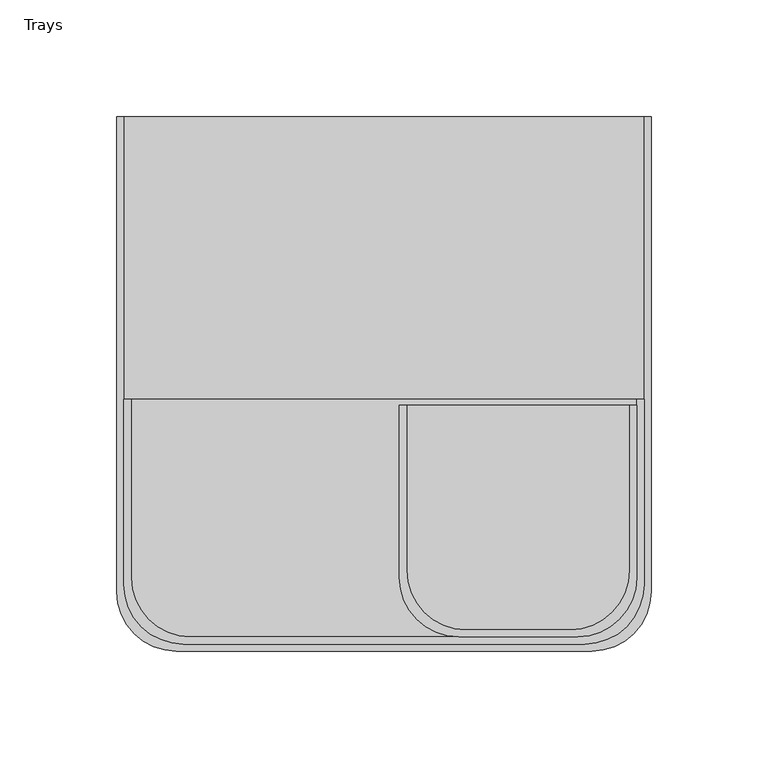
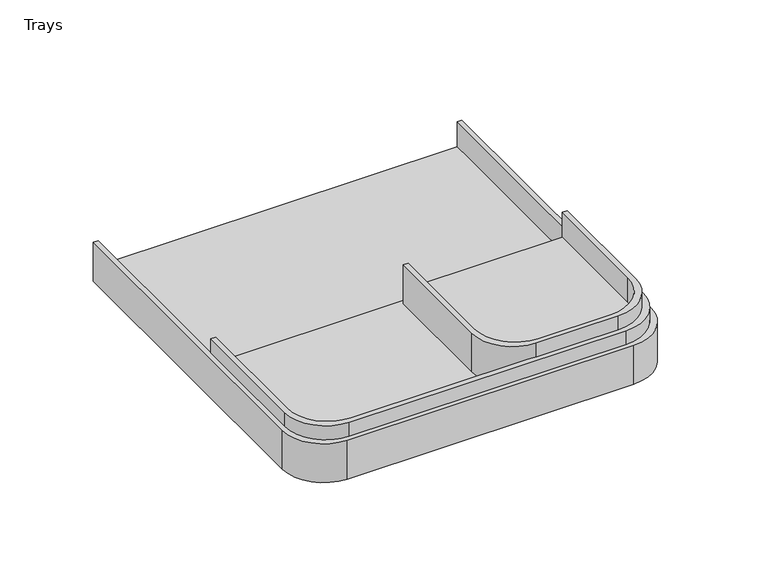
"""IFC4 building model written with IfcOpenShell, lengths in millimetres: furniture geometry, Trays."""

from ifc_helpers import new_model, si_unit, frame, origin, place, context, project, spatial, polyline, circle_curve, source, transform, mapped, element, save
from ifc_brep_helpers import plane_surface, cylinder_surface, revolved_surface, advanced_brep


def trays_c1c10840(model_context):
    return source(origin(), model_context, "Body", "AdvancedBrep", [
        advanced_brep(
        [(108.204, -82.804, 1186.1098322), (108.204, -9.144, 1186.1098322), (105.156, -9.144, 1186.1098322), (105.156, -79.756, 1186.1098322), (79.756, -105.156, 1186.1098322), (35.052, -105.156, 1186.1098322), (9.652, -79.756, 1186.1098322), (9.652, -9.144, 1186.1098322), (6.604, -9.144, 1186.1098322), (6.604, -82.804, 1186.1098322), (32.004, -108.204, 1186.1098322), (82.804, -108.204, 1186.1098322), (108.204, -82.804, 1160.7966397), (82.804, -108.204, 1160.7966397), (32.004, -108.204, 1160.7966397), (6.604, -82.804, 1160.7966397), (6.604, -9.144, 1160.7966397), (108.204, -9.144, 1160.7966397), (9.652, -9.144, 1169.6888117), (105.156, -9.144, 1169.6888117), (105.156, -79.756, 1169.6888117), (9.652, -79.756, 1169.6888117), (35.052, -105.156, 1169.6888117), (79.756, -105.156, 1169.6888117)],
        [
            (0, 1),
            (1, 2),
            (2, 3),
            (3, 4, circle_curve(frame((79.756, -79.756, 1186.1098322), z_axis=(0.0, 0.0, -1.0), x_axis=(1.0, 0.0, 0.0)), 25.4)),
            (4, 5),
            (5, 6, circle_curve(frame((35.052, -79.756, 1186.1098322), z_axis=(0.0, 0.0, -1.0), x_axis=(1.0, 0.0, 0.0)), 25.4)),
            (6, 7),
            (7, 8),
            (8, 9),
            (9, 10, circle_curve(frame((32.004, -82.804, 1186.1098322), z_axis=(0.0, 0.0, 1.0), x_axis=(1.0, 0.0, 0.0)), 25.4)),
            (10, 11),
            (11, 0, circle_curve(frame((82.804, -82.804, 1186.1098322), z_axis=(0.0, 0.0, 1.0), x_axis=(1.0, 0.0, 0.0)), 25.4)),
            (12, 13, circle_curve(frame((82.804, -82.804, 1160.7966397), z_axis=(0.0, 0.0, -1.0), x_axis=(1.0, 0.0, 0.0)), 25.4)),
            (13, 14),
            (14, 15, circle_curve(frame((32.004, -82.804, 1160.7966397), z_axis=(0.0, 0.0, -1.0), x_axis=(1.0, 0.0, 0.0)), 25.4)),
            (15, 16),
            (16, 17),
            (17, 12),
            (11, 13),
            (12, 0),
            (10, 14),
            (9, 15),
            (8, 16),
            (7, 18),
            (18, 19),
            (19, 2),
            (1, 17),
            (20, 19),
            (18, 21),
            (21, 22, circle_curve(frame((35.052, -79.756, 1169.6888117), z_axis=(0.0, 0.0, 1.0), x_axis=(1.0, 0.0, 0.0)), 25.4)),
            (22, 23),
            (23, 20, circle_curve(frame((79.756, -79.756, 1169.6888117), z_axis=(0.0, 0.0, 1.0), x_axis=(1.0, 0.0, 0.0)), 25.4)),
            (23, 4),
            (3, 20),
            (22, 5),
            (21, 6),
        ],
        [
            plane_surface(frame((108.204, -82.804, 1186.1098322), z_axis=(0.0, 0.0, 1.0), x_axis=(0.0, -1.0, 0.0))),
            plane_surface(frame((108.204, -82.804, 1160.7966397), z_axis=(0.0, 0.0, -1.0), x_axis=(0.0, 1.0, 0.0))),
            cylinder_surface(frame((82.804, -82.804, 1160.7966397), z_axis=(0.0, 0.0, 1.0), x_axis=(1.0, 0.0, 0.0)), 25.4),
            plane_surface(frame((82.804, -108.204, 1186.1098322), z_axis=(0.0, -1.0, 0.0), x_axis=(0.0, 0.0, -1.0))),
            cylinder_surface(frame((32.004, -82.804, 1160.7966397), z_axis=(0.0, 0.0, 1.0), x_axis=(1.0, 0.0, 0.0)), 25.4),
            plane_surface(frame((6.604, -82.804, 1186.1098322), z_axis=(-1.0, 0.0, 0.0), x_axis=(0.0, 0.0, -1.0))),
            plane_surface(frame((6.604, -9.144, 1186.1098322), z_axis=(0.0, 1.0, 0.0), x_axis=(0.0, 0.0, -1.0))),
            plane_surface(frame((108.204, -9.144, 1186.1098322), z_axis=(1.0, 0.0, 0.0), x_axis=(0.0, 0.0, -1.0))),
            plane_surface(frame((105.156, -79.756, 1169.6888117), z_axis=(0.0, 0.0, 1.0), x_axis=(0.0, 1.0, 0.0))),
            revolved_surface(polyline([(105.156, -79.756, 1186.1098322), (105.156, -79.756, 1169.6888117)]), (79.756, -79.756, 1169.6888117), (0.0, 0.0, 1.0)),
            plane_surface(frame((79.756, -105.156, 1191.7598038), z_axis=(0.0, 1.0, 0.0), x_axis=(0.0, 0.0, -1.0))),
            revolved_surface(polyline([(60.452, -79.756, 1186.1098322), (60.452, -79.756, 1169.6888117)]), (35.052, -79.756, 1169.6888117), (0.0, 0.0, 1.0)),
            plane_surface(frame((9.652, -79.756, 1191.7598038), z_axis=(1.0, 0.0, 0.0), x_axis=(0.0, 0.0, -1.0))),
            plane_surface(frame((105.156, 9.8666202, 1191.7598038), z_axis=(-1.0, 0.0, 0.0), x_axis=(0.0, 0.0, -1.0))),
        ],
        [
            (0, [[1, 2, 3, 4, 5, 6, 7, 8, 9, 10, 11, 12]]),
            (1, [[13, 14, 15, 16, 17, 18]]),
            (2, [[19, -13, 20, -12]]),
            (3, [[21, -14, -19, -11]]),
            (4, [[22, -15, -21, -10]]),
            (5, [[23, -16, -22, -9]]),
            (6, [[-23, -8, 24, 25, 26, -2, 27, -17]]),
            (7, [[-20, -18, -27, -1]]),
            (8, [[28, -25, 29, 30, 31, 32]]),
            (9, [[33, -4, 34, -32]]),
            (10, [[35, -5, -33, -31]]),
            (11, [[36, -6, -35, -30]]),
            (12, [[-24, -7, -36, -29]]),
            (13, [[-34, -3, -26, -28]]),
        ],
    ),
        advanced_brep(
        [(-111.252, -85.852, 1177.29), (-85.852, -111.252, 1177.29), (85.852, -111.252, 1177.29), (111.252, -85.852, 1177.29), (111.252, -6.604, 1177.29), (108.204, -6.604, 1177.29), (108.204, -82.804, 1177.29), (82.804, -108.204, 1177.29), (-82.804, -108.204, 1177.29), (-108.204, -82.804, 1177.29), (-108.204, -6.604, 1177.29), (-111.252, -6.604, 1177.29), (-111.252, -85.852, 1151.8886512), (-111.252, -6.604, 1151.8886512), (111.252, -6.604, 1151.8886512), (111.252, -85.852, 1151.8886512), (85.852, -111.252, 1151.8886512), (-85.852, -111.252, 1151.8886512), (-108.204, -6.604, 1160.7966397), (108.204, -6.604, 1160.7966397), (108.204, -82.804, 1160.7966397), (-108.204, -82.804, 1160.7966397), (-82.804, -108.204, 1160.7966397), (82.804, -108.204, 1160.7966397)],
        [
            (0, 1, circle_curve(frame((-85.852, -85.852, 1177.29), z_axis=(0.0, 0.0, 1.0), x_axis=(1.0, 0.0, 0.0)), 25.4)),
            (1, 2),
            (2, 3, circle_curve(frame((85.852, -85.852, 1177.29), z_axis=(0.0, 0.0, 1.0), x_axis=(1.0, 0.0, 0.0)), 25.4)),
            (3, 4),
            (4, 5),
            (5, 6),
            (6, 7, circle_curve(frame((82.804, -82.804, 1177.29), z_axis=(0.0, 0.0, -1.0), x_axis=(1.0, 0.0, 0.0)), 25.4)),
            (7, 8),
            (8, 9, circle_curve(frame((-82.804, -82.804, 1177.29), z_axis=(0.0, 0.0, -1.0), x_axis=(1.0, 0.0, 0.0)), 25.4)),
            (9, 10),
            (10, 11),
            (11, 0),
            (12, 13),
            (13, 14),
            (14, 15),
            (15, 16, circle_curve(frame((85.852, -85.852, 1151.8886512), z_axis=(0.0, 0.0, -1.0), x_axis=(1.0, 0.0, 0.0)), 25.4)),
            (16, 17),
            (17, 12, circle_curve(frame((-85.852, -85.852, 1151.8886512), z_axis=(0.0, 0.0, -1.0), x_axis=(1.0, 0.0, 0.0)), 25.4)),
            (11, 13),
            (12, 0),
            (10, 18),
            (18, 19),
            (19, 5),
            (4, 14),
            (3, 15),
            (2, 16),
            (1, 17),
            (20, 19),
            (18, 21),
            (21, 22, circle_curve(frame((-82.804, -82.804, 1160.7966397), z_axis=(0.0, 0.0, 1.0), x_axis=(1.0, 0.0, 0.0)), 25.4)),
            (22, 23),
            (23, 20, circle_curve(frame((82.804, -82.804, 1160.7966397), z_axis=(0.0, 0.0, 1.0), x_axis=(1.0, 0.0, 0.0)), 25.4)),
            (9, 21),
            (20, 6),
            (23, 7),
            (22, 8),
        ],
        [
            plane_surface(frame((-111.252, -95.504, 1177.29), z_axis=(0.0, 0.0, 1.0), x_axis=(0.0, 1.0, 0.0))),
            plane_surface(frame((-111.252, -95.504, 1151.8886512), z_axis=(0.0, 0.0, -1.0), x_axis=(0.0, -1.0, 0.0))),
            plane_surface(frame((-111.252, -85.852, 1177.29), z_axis=(-1.0, 0.0, 0.0), x_axis=(0.0, 0.0, -1.0))),
            plane_surface(frame((-111.252, -6.604, 1177.29), z_axis=(0.0, 1.0, 0.0), x_axis=(0.0, 0.0, -1.0))),
            plane_surface(frame((111.252, -6.604, 1177.29), z_axis=(1.0, 0.0, 0.0), x_axis=(0.0, 0.0, -1.0))),
            cylinder_surface(frame((85.852, -85.852, 1151.8886512), z_axis=(0.0, 0.0, 1.0), x_axis=(1.0, 0.0, 0.0)), 25.4),
            plane_surface(frame((85.852, -111.252, 1177.29), z_axis=(0.0, -1.0, 0.0), x_axis=(0.0, 0.0, -1.0))),
            cylinder_surface(frame((-85.852, -85.852, 1151.8886512), z_axis=(0.0, 0.0, 1.0), x_axis=(1.0, 0.0, 0.0)), 25.4),
            plane_surface(frame((-108.204, -95.504, 1160.7966397), z_axis=(0.0, 0.0, 1.0), x_axis=(0.0, -1.0, 0.0))),
            plane_surface(frame((-108.204, -82.804, 1185.1498432), z_axis=(1.0, 0.0, 0.0), x_axis=(0.0, 0.0, -1.0))),
            plane_surface(frame((108.204, 9.8666202, 1185.1498432), z_axis=(-1.0, 0.0, 0.0), x_axis=(0.0, 0.0, -1.0))),
            revolved_surface(polyline([(108.20400000000001, -82.804, 1177.29), (108.20400000000001, -82.804, 1160.7966397)]), (82.804, -82.804, 1160.7966397), (0.0, 0.0, 1.0)),
            plane_surface(frame((82.804, -108.204, 1185.1498432), z_axis=(0.0, 1.0, 0.0), x_axis=(0.0, 0.0, -1.0))),
            revolved_surface(polyline([(-57.404, -82.804, 1177.29), (-57.404, -82.804, 1160.7966397)]), (-82.804, -82.804, 1160.7966397), (0.0, 0.0, 1.0)),
        ],
        [
            (0, [[1, 2, 3, 4, 5, 6, 7, 8, 9, 10, 11, 12]]),
            (1, [[13, 14, 15, 16, 17, 18]]),
            (2, [[19, -13, 20, -12]]),
            (3, [[-19, -11, 21, 22, 23, -5, 24, -14]]),
            (4, [[25, -15, -24, -4]]),
            (5, [[26, -16, -25, -3]]),
            (6, [[27, -17, -26, -2]]),
            (7, [[-20, -18, -27, -1]]),
            (8, [[28, -22, 29, 30, 31, 32]]),
            (9, [[-21, -10, 33, -29]]),
            (10, [[34, -6, -23, -28]]),
            (11, [[35, -7, -34, -32]]),
            (12, [[36, -8, -35, -31]]),
            (13, [[-33, -9, -36, -30]]),
        ],
    ),
        advanced_brep(
        [(114.3, 114.3, 1168.4), (111.252, 114.3, 1168.4), (111.252, -85.852, 1168.4), (85.852, -111.252, 1168.4), (-85.852, -111.252, 1168.4), (-111.252, -85.852, 1168.4), (-111.252, 114.3, 1168.4), (-114.3, 114.3, 1168.4), (-114.3, -88.9, 1168.4), (-88.9, -114.3, 1168.4), (88.9, -114.3, 1168.4), (114.3, -88.9, 1168.4), (-114.3, 114.3, 1143.0), (114.3, 114.3, 1143.0), (114.3, -88.9, 1143.0), (88.9, -114.3, 1143.0), (-88.9, -114.3, 1143.0), (-114.3, -88.9, 1143.0), (-111.252, 114.3, 1151.8886512), (111.252, 114.3, 1151.8886512), (111.252, -85.852, 1151.8886512), (-111.252, -85.852, 1151.8886512), (-85.852, -111.252, 1151.8886512), (85.852, -111.252, 1151.8886512)],
        [
            (0, 1),
            (1, 2),
            (2, 3, circle_curve(frame((85.852, -85.852, 1168.4), z_axis=(0.0, 0.0, -1.0), x_axis=(1.0, 0.0, 0.0)), 25.4)),
            (3, 4),
            (4, 5, circle_curve(frame((-85.852, -85.852, 1168.4), z_axis=(0.0, 0.0, -1.0), x_axis=(1.0, 0.0, 0.0)), 25.4)),
            (5, 6),
            (6, 7),
            (7, 8),
            (8, 9, circle_curve(frame((-88.9, -88.9, 1168.4), z_axis=(0.0, 0.0, 1.0), x_axis=(1.0, 0.0, 0.0)), 25.4)),
            (9, 10),
            (10, 11, circle_curve(frame((88.9, -88.9, 1168.4), z_axis=(0.0, 0.0, 1.0), x_axis=(1.0, 0.0, 0.0)), 25.4)),
            (11, 0),
            (12, 13),
            (13, 14),
            (14, 15, circle_curve(frame((88.9, -88.9, 1143.0), z_axis=(0.0, 0.0, -1.0), x_axis=(1.0, 0.0, 0.0)), 25.4)),
            (15, 16),
            (16, 17, circle_curve(frame((-88.9, -88.9, 1143.0), z_axis=(0.0, 0.0, -1.0), x_axis=(1.0, 0.0, 0.0)), 25.4)),
            (17, 12),
            (12, 7),
            (6, 18),
            (18, 19),
            (19, 1),
            (0, 13),
            (11, 14),
            (10, 15),
            (9, 16),
            (8, 17),
            (20, 19),
            (18, 21),
            (21, 22, circle_curve(frame((-85.852, -85.852, 1151.8886512), z_axis=(0.0, 0.0, 1.0), x_axis=(1.0, 0.0, 0.0)), 25.4)),
            (22, 23),
            (23, 20, circle_curve(frame((85.852, -85.852, 1151.8886512), z_axis=(0.0, 0.0, 1.0), x_axis=(1.0, 0.0, 0.0)), 25.4)),
            (20, 2),
            (22, 4),
            (3, 23),
            (5, 21),
        ],
        [
            plane_surface(frame((208.9818424, 114.3, 1168.4), z_axis=(0.0, 0.0, 1.0), x_axis=(1.0, 0.0, 0.0))),
            plane_surface(frame((208.9818424, 114.3, 1143.0), z_axis=(0.0, 0.0, -1.0), x_axis=(-1.0, 0.0, 0.0))),
            plane_surface(frame((-114.3, 114.3, 1168.4), z_axis=(0.0, 1.0, 0.0), x_axis=(0.0, 0.0, -1.0))),
            plane_surface(frame((114.3, 114.3, 1168.4), z_axis=(1.0, 0.0, 0.0), x_axis=(0.0, 0.0, -1.0))),
            cylinder_surface(frame((88.9, -88.9, 1143.0), z_axis=(0.0, 0.0, 1.0), x_axis=(1.0, 0.0, 0.0)), 25.4),
            plane_surface(frame((88.9, -114.3, 1168.4), z_axis=(0.0, -1.0, 0.0), x_axis=(0.0, 0.0, -1.0))),
            cylinder_surface(frame((-88.9, -88.9, 1143.0), z_axis=(0.0, 0.0, 1.0), x_axis=(1.0, 0.0, 0.0)), 25.4),
            plane_surface(frame((-114.3, -88.9, 1168.4), z_axis=(-1.0, 0.0, 0.0), x_axis=(0.0, 0.0, -1.0))),
            plane_surface(frame((208.9818424, 117.348, 1151.8886512), z_axis=(0.0, 0.0, 1.0), x_axis=(-1.0, 0.0, 0.0))),
            plane_surface(frame((111.252, 117.348, 1175.2290398), z_axis=(-1.0, 0.0, 0.0), x_axis=(0.0, 0.0, -1.0))),
            plane_surface(frame((85.852, -111.252, 1175.2290398), z_axis=(0.0, 1.0, 0.0), x_axis=(0.0, 0.0, -1.0))),
            plane_surface(frame((-111.252, -85.852, 1175.2290398), z_axis=(1.0, 0.0, 0.0), x_axis=(0.0, 0.0, -1.0))),
            revolved_surface(polyline([(111.25200000000001, -85.852, 1168.4), (111.25200000000001, -85.852, 1151.8886512)]), (85.852, -85.852, 1151.8886512), (0.0, 0.0, 1.0)),
            revolved_surface(polyline([(-60.452000000000005, -85.852, 1168.4), (-60.452000000000005, -85.852, 1151.8886512)]), (-85.852, -85.852, 1151.8886512), (0.0, 0.0, 1.0)),
        ],
        [
            (0, [[1, 2, 3, 4, 5, 6, 7, 8, 9, 10, 11, 12]]),
            (1, [[13, 14, 15, 16, 17, 18]]),
            (2, [[19, -7, 20, 21, 22, -1, 23, -13]]),
            (3, [[24, -14, -23, -12]]),
            (4, [[25, -15, -24, -11]]),
            (5, [[26, -16, -25, -10]]),
            (6, [[27, -17, -26, -9]]),
            (7, [[-19, -18, -27, -8]]),
            (8, [[28, -21, 29, 30, 31, 32]]),
            (9, [[33, -2, -22, -28]]),
            (10, [[34, -4, 35, -31]]),
            (11, [[-20, -6, 36, -29]]),
            (12, [[-35, -3, -33, -32]]),
            (13, [[-36, -5, -34, -30]]),
        ],
    ),
    ])


if __name__ == "__main__":
    model = new_model("IFC4")
    model_context = context("Model", 3, world=origin())
    ifc_project = project(units=[si_unit("LENGTHUNIT", "METRE", prefix="MILLI")], contexts=[model_context])
    site = spatial("IfcSite", under=ifc_project)
    building = spatial("IfcBuilding", under=site)
    placement = place(None, origin())
    trays_shape = trays_c1c10840(model_context)
    element("IfcFurniture", 1, ObjectType="Trays", at=placement, inside=building, context=model_context, shape_type="MappedRepresentation", body=[
        mapped(trays_shape, transform((0.0, 0.0, 0.0), x_axis=(1.0, 0.0, 0.0), y_axis=(0.0, 1.0, 0.0), z_axis=(0.0, 0.0, 1.0))),
    ])
    save(model, "model.ifc")
